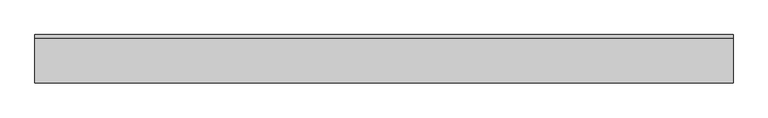
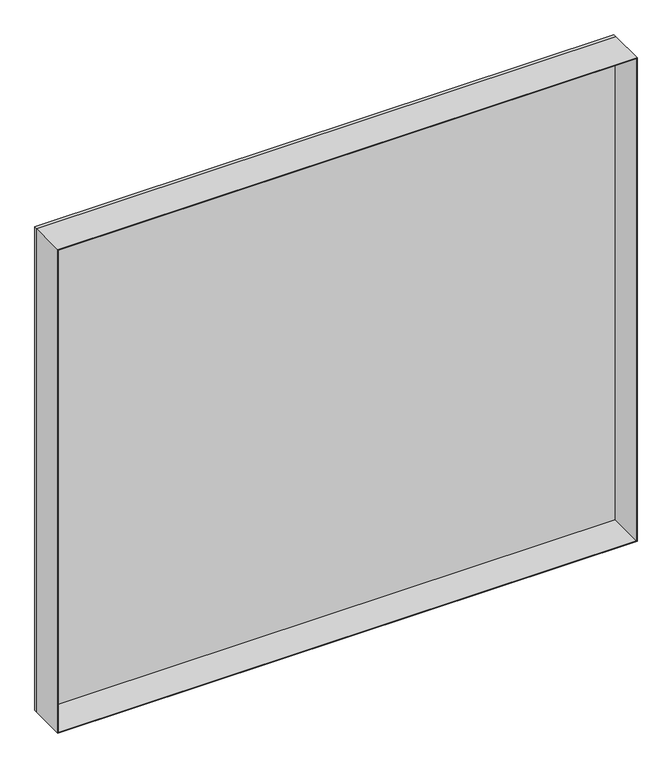
"""IFC4 building model written with IfcOpenShell, lengths in millimetres: plate geometry."""

from ifc_helpers import new_model, si_unit, frame, origin, origin_with_axes, place, context, project, spatial, polyline, outline, extrude, source, transform, mapped, element, save


def plate_e555bf27(model_context):
    return source(origin(), model_context, "Body", "SweptSolid", [
        extrude(outline(polyline([(951.75, -539.6875001), (0.0, -539.6875001), (0.0, 539.6875001), (951.75, 539.6875001), (951.75, -539.6875001)]), holes=[polyline([(950.75, -538.6875001), (950.75, 538.6875001), (1.0, 538.6875001), (1.0, -538.6875001), (950.75, -538.6875001)])]), frame((0.0, -37.2, 0.0), z_axis=(0.0, 1.0, 0.0), x_axis=(0.0, 0.0, 1.0)), (0.0, 0.0, 1.0), 68.4),
        extrude(outline(polyline([(539.6875001, 31.2), (-539.6875001, 31.2), (-539.6875001, 37.2), (539.6875001, 37.2), (539.6875001, 31.2)])), origin_with_axes(), (0.0, 0.0, 1.0), 951.75),
    ])


if __name__ == "__main__":
    model = new_model("IFC4")
    model_context = context("Model", 3, world=origin())
    ifc_project = project(units=[si_unit("LENGTHUNIT", "METRE", prefix="MILLI")], contexts=[model_context])
    site = spatial("IfcSite", under=ifc_project)
    building = spatial("IfcBuilding", under=site)
    placement = place(None, origin())
    plate_shape = plate_e555bf27(model_context)
    element("IfcPlate", 1, at=placement, inside=building, context=model_context, shape_type="MappedRepresentation", body=[
        mapped(plate_shape, transform((0.0, 0.0, 0.0), x_axis=(1.0, 0.0, 0.0), y_axis=(0.0, 1.0, 0.0), z_axis=(0.0, 0.0, 1.0))),
    ])
    save(model, "model.ifc")
